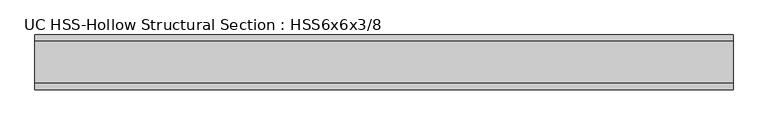
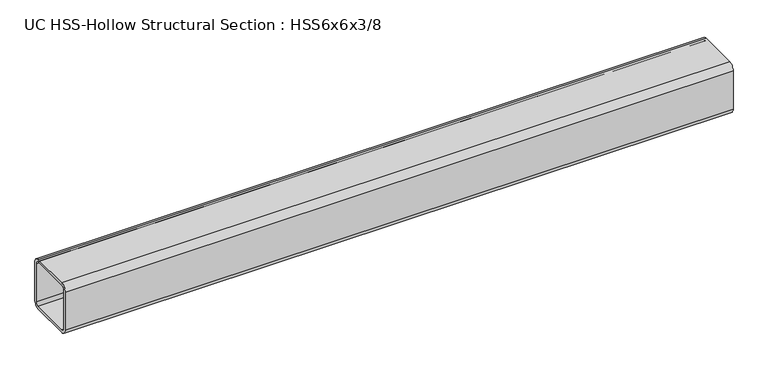
"""IFC4 building model written with IfcOpenShell, lengths in millimetres: beam geometry, UC HSS-Hollow Structural Section : HSS6x6x3/8."""

from ifc_helpers import new_model, si_unit, point, frame, frame_2d, origin, place, context, project, spatial, polyline, circle_curve, trimmed, segment, composite_curve, outline, extrude, source, transform, mapped, element, save


def uc_hss_hollow_structural_section_hss6x6x3_8_56297b9e(model_context):
    return source(origin(), model_context, "Body", "SweptSolid", [
        extrude(outline(composite_curve([segment(trimmed(circle_curve(frame_2d((-58.4708, 58.4708)), 17.7292), [point((-76.2, 58.4708))], [point((-58.4708, 76.2))], False, "CARTESIAN"), True, "CONTINUOUS"), segment(polyline([(-58.4708, 76.2), (58.4708, 76.2)]), True, "CONTINUOUS"), segment(trimmed(circle_curve(frame_2d((58.4708, 58.4708)), 17.7292), [point((58.4708, 76.2))], [point((76.2, 58.4708))], False, "CARTESIAN"), True, "CONTINUOUS"), segment(polyline([(76.2, 58.4708), (76.2, -58.4708)]), True, "CONTINUOUS"), segment(trimmed(circle_curve(frame_2d((58.4708, -58.4708)), 17.7292), [point((76.2, -58.4708))], [point((58.4708, -76.2))], False, "CARTESIAN"), True, "CONTINUOUS"), segment(polyline([(58.4708, -76.2), (-58.4708, -76.2)]), True, "CONTINUOUS"), segment(trimmed(circle_curve(frame_2d((-58.4708, -58.4708)), 17.7292), [point((-58.4708, -76.2))], [point((-76.2, -58.4708))], False, "CARTESIAN"), True, "CONTINUOUS"), segment(polyline([(-76.2, -58.4708), (-76.2, 58.4708)]), True, "CONTINUOUS")], self_intersect=False), holes=[composite_curve([segment(polyline([(58.4708, 67.3354), (-58.4708, 67.3354)]), True, "CONTINUOUS"), segment(trimmed(circle_curve(frame_2d((-58.4708, 58.4708)), 8.8646), [point((-58.4708, 67.3354))], [point((-67.3354, 58.4708))], True, "CARTESIAN"), True, "CONTINUOUS"), segment(polyline([(-67.3354, 58.4708), (-67.3354, -58.4708)]), True, "CONTINUOUS"), segment(trimmed(circle_curve(frame_2d((-58.4708, -58.4708)), 8.8646), [point((-67.3354, -58.4708))], [point((-58.4708, -67.3354))], True, "CARTESIAN"), True, "CONTINUOUS"), segment(polyline([(-58.4708, -67.3354), (58.4708, -67.3354)]), True, "CONTINUOUS"), segment(trimmed(circle_curve(frame_2d((58.4708, -58.4708)), 8.8646), [point((58.4708, -67.3354))], [point((67.3354, -58.4708))], True, "CARTESIAN"), True, "CONTINUOUS"), segment(polyline([(67.3354, -58.4708), (67.3354, 58.4708)]), True, "CONTINUOUS"), segment(trimmed(circle_curve(frame_2d((58.4708, 58.4708)), 8.8646), [point((67.3354, 58.4708))], [point((58.4708, 67.3354))], True, "CARTESIAN"), True, "CONTINUOUS")], self_intersect=False)]), frame((-900.4773497, 0.0, 0.0), z_axis=(1.0, 0.0, 0.0), x_axis=(0.0, 1.0, 0.0)), (0.0, 0.0, 1.0), 1935.9678206),
    ])


if __name__ == "__main__":
    model = new_model("IFC4")
    model_context = context("Model", 3, world=origin())
    ifc_project = project(units=[si_unit("LENGTHUNIT", "METRE", prefix="MILLI")], contexts=[model_context])
    site = spatial("IfcSite", under=ifc_project)
    building = spatial("IfcBuilding", under=site)
    placement = place(None, origin())
    uc_hss_hollow_structural_section_hss6x6x3_8_shape = uc_hss_hollow_structural_section_hss6x6x3_8_56297b9e(model_context)
    element("IfcBeam", 1, ObjectType="UC HSS-Hollow Structural Section : HSS6x6x3/8", at=placement, inside=building, context=model_context, shape_type="MappedRepresentation", body=[
        mapped(uc_hss_hollow_structural_section_hss6x6x3_8_shape, transform((0.0, 0.0, 0.0), x_axis=(1.0, 0.0, 0.0), y_axis=(0.0, 1.0, 0.0), z_axis=(0.0, 0.0, 1.0))),
    ])
    save(model, "model.ifc")
